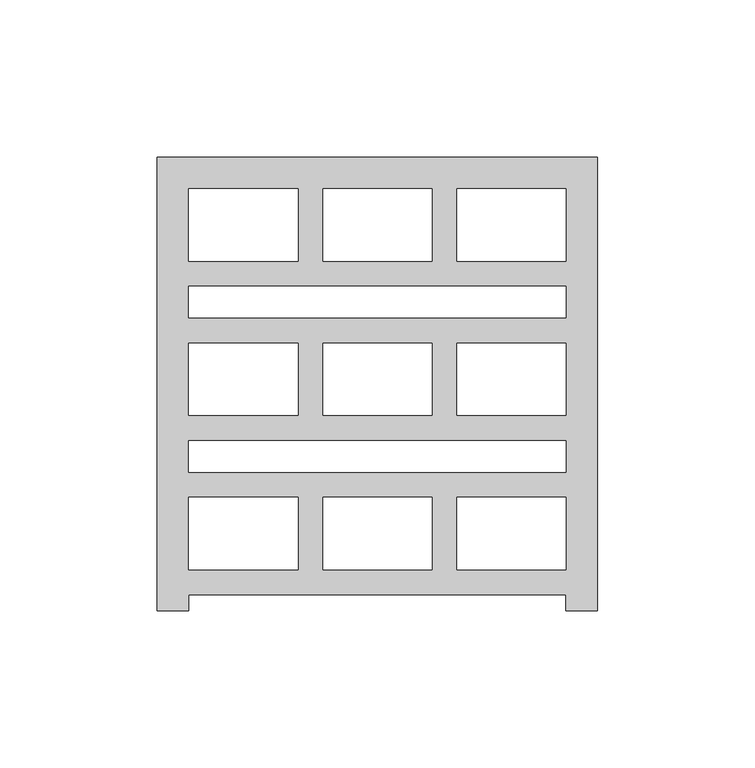
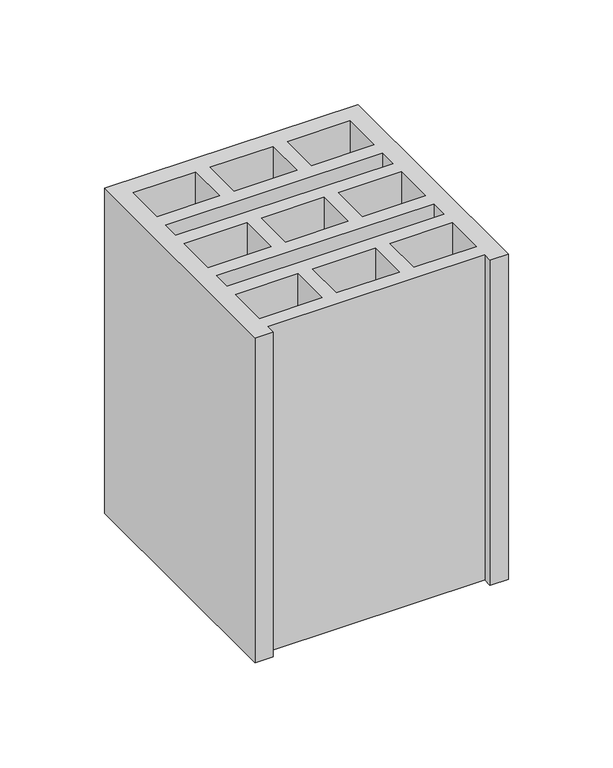
"""IFC4 building model written with IfcOpenShell, lengths in millimetres: proxy geometry."""

from ifc_helpers import new_model, si_unit, origin, origin_with_axes, place, context, project, spatial, polyline, outline, extrude, source, transform, mapped, element, save


def generic_models_acdc6bbc(model_context):
    return source(origin(), model_context, "Body", "SweptSolid", [
        extrude(outline(polyline([(0.0, 144.0), (140.0, 144.0), (140.0, 0.0), (130.0, 0.0), (130.0, 5.0), (10.0, 5.0), (10.0, 0.0), (0.0, 0.0), (0.0, 144.0)]), holes=[polyline([(44.7, 134.0), (10.0, 134.0), (10.0, 111.0), (44.7, 111.0), (44.7, 134.0)]), polyline([(95.3, 134.0), (95.3, 111.0), (130.0, 111.0), (130.0, 134.0), (95.3, 134.0)]), polyline([(52.7, 111.0), (87.3, 111.0), (87.3, 134.0), (52.7, 134.0), (52.7, 111.0)]), polyline([(10.0, 93.0), (130.0, 93.0), (130.0, 103.0), (10.0, 103.0), (10.0, 93.0)]), polyline([(44.7, 62.0), (44.7, 85.0), (10.0, 85.0), (10.0, 62.0), (44.7, 62.0)]), polyline([(95.3, 62.0), (130.0, 62.0), (130.0, 85.0), (95.3, 85.0), (95.3, 62.0)]), polyline([(52.7, 85.0), (52.7, 62.0), (87.3, 62.0), (87.3, 85.0), (52.7, 85.0)]), polyline([(44.7, 36.0), (10.0, 36.0), (10.0, 13.0), (44.7, 13.0), (44.7, 36.0)]), polyline([(95.3, 36.0), (95.3, 13.0), (130.0, 13.0), (130.0, 36.0), (95.3, 36.0)]), polyline([(52.7, 13.0), (87.3, 13.0), (87.3, 36.0), (52.7, 36.0), (52.7, 13.0)]), polyline([(10.0, 54.0), (10.0, 44.0), (130.0, 44.0), (130.0, 54.0), (10.0, 54.0)])]), origin_with_axes(), (0.0, 0.0, 1.0), 190.0),
    ])


if __name__ == "__main__":
    model = new_model("IFC4")
    model_context = context("Model", 3, world=origin())
    ifc_project = project(units=[si_unit("LENGTHUNIT", "METRE", prefix="MILLI")], contexts=[model_context])
    site = spatial("IfcSite", under=ifc_project)
    building = spatial("IfcBuilding", under=site)
    placement = place(None, origin())
    generic_models_shape = generic_models_acdc6bbc(model_context)
    element("IfcBuildingElementProxy", 1, Name="Generic Models", at=placement, inside=building, context=model_context, shape_type="MappedRepresentation", body=[
        mapped(generic_models_shape, transform((0.0, 0.0, 0.0), x_axis=(1.0, 0.0, 0.0), y_axis=(0.0, 1.0, 0.0), z_axis=(0.0, 0.0, 1.0))),
    ])
    save(model, "model.ifc")
